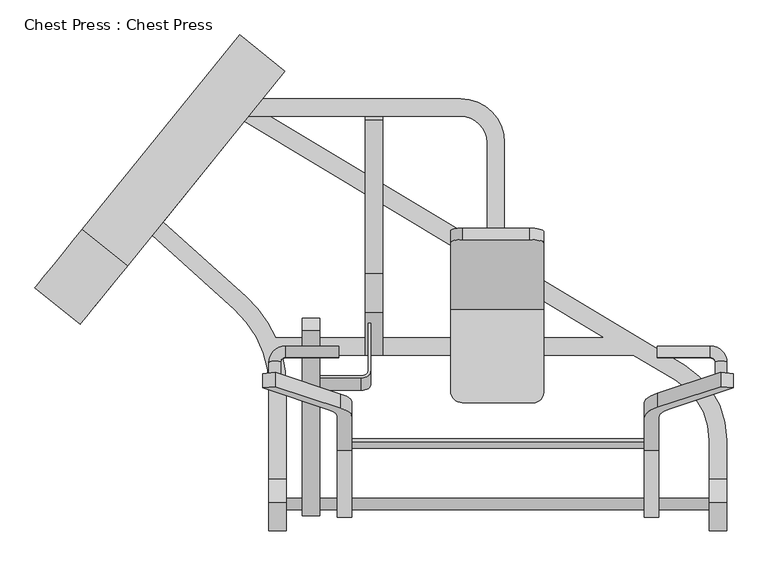
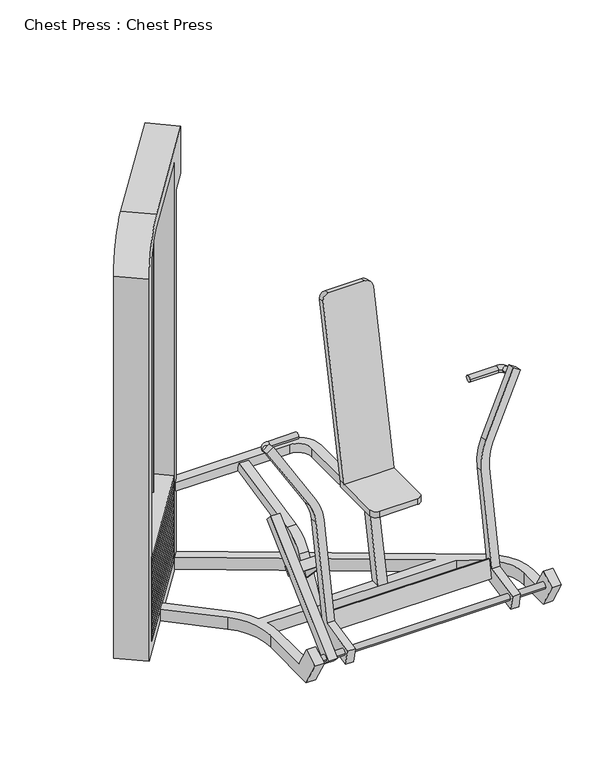
"""IFC4 building model written with IfcOpenShell, lengths in millimetres: proxy geometry, Chest Press : Chest Press."""

from ifc_helpers import new_model, si_unit, point, frame, frame_2d, origin, place, context, project, spatial, polyline, circle_curve, ellipse_curve, trimmed, segment, composite_curve, outline, extrude, source, transform, mapped, element, save
from ifc_brep_helpers import plane_surface, cylinder_surface, revolved_surface, advanced_brep


def chest_press_chest_press_69a2329b(model_context):
    return source(origin(), model_context, "Body", "SolidModel", [
        advanced_brep(
        [(365.785119, -401.242446, 816.9094566), (339.988244, -401.242446, 816.9094566), (365.785119, -374.0487767, 811.6235428), (339.988244, -374.0487767, 811.6235428), (375.9840366, -338.7143282, 804.7552217), (375.9840366, -364.037242, 809.6774975), (492.5866815, -364.037242, 809.6774975), (492.5866815, -338.7143282, 804.7552217)],
        [
            (0, 1, circle_curve(frame((352.8866815, -401.242446, 816.9094566), z_axis=(0.0, -0.9816271834476663, 0.1908089953765331), x_axis=(-1.0, 0.0, 0.0)), 12.8984375)),
            (1, 0, circle_curve(frame((352.8866815, -401.242446, 816.9094566), z_axis=(0.0, -0.9816271834476663, 0.1908089953765331), x_axis=(-1.0, 0.0, 0.0)), 12.8984375)),
            (0, 2),
            (2, 3, circle_curve(frame((352.8866815, -374.0487767, 811.6235428), z_axis=(0.0, -0.9816271834476663, 0.1908089953765331), x_axis=(-1.0, 0.0, 0.0)), 12.8984375)),
            (3, 1),
            (3, 2, circle_curve(frame((352.8866815, -374.0487767, 811.6235428), z_axis=(0.0, -0.9816271834476663, 0.1908089953765331), x_axis=(-1.0, 0.0, 0.0)), 12.8984375)),
            (4, 3, circle_curve(frame((375.9840366, -374.0487767, 811.6235428), z_axis=(0.0, 0.19080899537653312, 0.9816271834476663), x_axis=(-1.0, 0.0, 0.0)), 35.9957926)),
            (2, 5, circle_curve(frame((375.9840366, -374.0487767, 811.6235428), z_axis=(0.0, -0.19080899537653312, -0.9816271834476663), x_axis=(-1.0, 0.0, 0.0)), 10.1989176)),
            (5, 4, circle_curve(frame((375.9840366, -351.3757851, 807.2163596), z_axis=(-1.0, 0.0, 0.0), x_axis=(0.0, 0.9816271834476668, -0.1908089953765332)), 12.8984375)),
            (4, 5, circle_curve(frame((375.9840366, -351.3757851, 807.2163596), z_axis=(-1.0, 0.0, 0.0), x_axis=(0.0, 0.9816271834476668, -0.1908089953765332)), 12.8984375)),
            (6, 7, circle_curve(frame((492.5866815, -351.3757851, 807.2163596), z_axis=(1.0, 0.0, 0.0), x_axis=(0.0, 0.9816271834476663, -0.19080899537653312)), 12.8984375)),
            (7, 6, circle_curve(frame((492.5866815, -351.3757851, 807.2163596), z_axis=(1.0, 0.0, 0.0), x_axis=(0.0, 0.9816271834476663, -0.19080899537653312)), 12.8984375)),
            (5, 6),
            (7, 4),
        ],
        [
            plane_surface(frame((352.8866815, -401.242446, 816.9094566), z_axis=(0.0, -0.9816271834476663, 0.1908089953765331), x_axis=(0.0, 0.1908089953765331, 0.9816271834476663))),
            cylinder_surface(frame((352.8866815, -401.242446, 816.9094566), z_axis=(0.0, -0.9816271834476663, 0.1908089953765331), x_axis=(-1.0, 0.0, 0.0)), 12.8984375),
            revolved_surface(trimmed(ellipse_curve(frame((352.8866815, -374.0487767, 811.6235428), z_axis=(0.0, -0.9816271834476668, 0.19080899537653323), x_axis=(-1.0, 0.0, 0.0)), 12.8984375, 12.8984375), [point((365.785119, -374.0487767, 811.6235428))], [point((339.988244, -374.0487767, 811.6235428))], True, "CARTESIAN"), (375.9840366, -374.0487767, 811.6235428), (0.0, -0.1908089953765332, -0.9816271834476668)),
            revolved_surface(trimmed(ellipse_curve(frame((352.8866815, -374.0487767, 811.6235428), z_axis=(0.0, -0.9816271834476668, 0.19080899537653323), x_axis=(-1.0, 0.0, 0.0)), 12.8984375, 12.8984375), [point((339.988244, -374.0487767, 811.6235428))], [point((365.785119, -374.0487767, 811.6235428))], True, "CARTESIAN"), (375.9840366, -374.0487767, 811.6235428), (0.0, -0.1908089953765332, -0.9816271834476668)),
            plane_surface(frame((492.5866815, -351.3757851, 807.2163596), z_axis=(1.0, 0.0, 0.0), x_axis=(0.0, 0.1908089953765331, 0.9816271834476662))),
            cylinder_surface(frame((375.9840366, -351.3757851, 807.2163596), z_axis=(-1.0, 0.0, 0.0), x_axis=(0.0, 0.9816271834476663, -0.19080899537653312)), 12.8984375),
        ],
        [
            (0, [[1, 2]]),
            (1, [[-1, 3, 4, 5]]),
            (1, [[-2, -5, 6, -3]]),
            (2, [[7, -4, 8, 9]]),
            (3, [[-8, -6, -7, 10]]),
            (4, [[11, 12]]),
            (5, [[-9, 13, -12, 14]]),
            (5, [[-10, -14, -11, -13]]),
        ],
    ),
        advanced_brep(
        [(1315.4276621, -401.242446, 816.9094566), (1341.2245371, -401.242446, 816.9094566), (1315.4276621, -374.0487767, 811.6235428), (1341.2245371, -374.0487767, 811.6235428), (1305.2287445, -338.7143282, 804.7552217), (1305.2287445, -364.037242, 809.6774975), (1188.6260996, -364.037242, 809.6774975), (1188.6260996, -338.7143282, 804.7552217)],
        [
            (0, 1, circle_curve(frame((1328.3260996, -401.242446, 816.9094566), z_axis=(0.0, -0.9816271834476663, 0.1908089953765331), x_axis=(1.0, 0.0, 0.0)), 12.8984375)),
            (1, 0, circle_curve(frame((1328.3260996, -401.242446, 816.9094566), z_axis=(0.0, -0.9816271834476663, 0.1908089953765331), x_axis=(1.0, 0.0, 0.0)), 12.8984375)),
            (0, 2),
            (2, 3, circle_curve(frame((1328.3260996, -374.0487767, 811.6235428), z_axis=(0.0, -0.9816271834476663, 0.1908089953765331), x_axis=(1.0, 0.0, 0.0)), 12.8984375)),
            (3, 1),
            (3, 2, circle_curve(frame((1328.3260996, -374.0487767, 811.6235428), z_axis=(0.0, -0.9816271834476663, 0.1908089953765331), x_axis=(1.0, 0.0, 0.0)), 12.8984375)),
            (4, 3, circle_curve(frame((1305.2287445, -374.0487767, 811.6235428), z_axis=(0.0, -0.19080899537653312, -0.9816271834476663), x_axis=(1.0, 0.0, 0.0)), 35.9957926)),
            (2, 5, circle_curve(frame((1305.2287445, -374.0487767, 811.6235428), z_axis=(0.0, 0.19080899537653312, 0.9816271834476663), x_axis=(1.0, 0.0, 0.0)), 10.1989176)),
            (5, 4, circle_curve(frame((1305.2287445, -351.3757851, 807.2163596), z_axis=(1.0, 0.0, 0.0), x_axis=(0.0, 0.9816271834476668, -0.1908089953765332)), 12.8984375)),
            (4, 5, circle_curve(frame((1305.2287445, -351.3757851, 807.2163596), z_axis=(1.0, 0.0, 0.0), x_axis=(0.0, 0.9816271834476668, -0.1908089953765332)), 12.8984375)),
            (6, 7, circle_curve(frame((1188.6260996, -351.3757851, 807.2163596), z_axis=(-1.0, 0.0, 0.0), x_axis=(0.0, 0.9816271834476663, -0.19080899537653312)), 12.8984375)),
            (7, 6, circle_curve(frame((1188.6260996, -351.3757851, 807.2163596), z_axis=(-1.0, 0.0, 0.0), x_axis=(0.0, 0.9816271834476663, -0.19080899537653312)), 12.8984375)),
            (5, 6),
            (7, 4),
        ],
        [
            plane_surface(frame((1328.3260996, -401.242446, 816.9094566), z_axis=(0.0, -0.9816271834476663, 0.1908089953765331), x_axis=(0.0, 0.1908089953765331, 0.9816271834476663))),
            cylinder_surface(frame((1328.3260996, -401.242446, 816.9094566), z_axis=(0.0, -0.9816271834476663, 0.1908089953765331), x_axis=(1.0, 0.0, 0.0)), 12.8984375),
            revolved_surface(trimmed(ellipse_curve(frame((1328.3260996, -374.0487767, 811.6235428), z_axis=(0.0, -0.9816271834476668, 0.19080899537653323), x_axis=(1.0, 0.0, 0.0)), 12.8984375, 12.8984375), [point((1315.4276621, -374.0487767, 811.6235428))], [point((1341.2245371, -374.0487767, 811.6235428))], True, "CARTESIAN"), (1305.2287445, -374.0487767, 811.6235428), (0.0, 0.1908089953765332, 0.9816271834476668)),
            revolved_surface(trimmed(ellipse_curve(frame((1328.3260996, -374.0487767, 811.6235428), z_axis=(0.0, -0.9816271834476668, 0.19080899537653323), x_axis=(1.0, 0.0, 0.0)), 12.8984375, 12.8984375), [point((1341.2245371, -374.0487767, 811.6235428))], [point((1315.4276621, -374.0487767, 811.6235428))], True, "CARTESIAN"), (1305.2287445, -374.0487767, 811.6235428), (0.0, 0.1908089953765332, 0.9816271834476668)),
            plane_surface(frame((1188.6260996, -351.3757851, 807.2163596), z_axis=(-1.0, 0.0, 0.0), x_axis=(0.0, 0.1908089953765331, 0.9816271834476662))),
            cylinder_surface(frame((1305.2287445, -351.3757851, 807.2163596), z_axis=(1.0, 0.0, 0.0), x_axis=(0.0, 0.9816271834476663, -0.19080899537653312)), 12.8984375),
        ],
        [
            (0, [[1, 2]]),
            (1, [[-1, 3, 4, 5]]),
            (1, [[-2, -5, 6, -3]]),
            (2, [[7, -4, 8, 9]]),
            (3, [[-8, -6, -7, 10]]),
            (4, [[11, 12]]),
            (5, [[-9, 13, -12, 14]]),
            (5, [[-10, -14, -11, -13]]),
        ],
    ),
        extrude(outline(composite_curve([segment(polyline([(21.3522889, -21.3522889), (21.3522889, -149.9394181), (15.0022889, -149.9394181), (15.0022889, -21.3522889)]), True, "CONTINUOUS"), segment(trimmed(circle_curve(frame_2d((0.0, -21.3522889)), 15.0022889), [point((15.0022889, -21.3522889))], [point((0.0, -6.35))], True, "CARTESIAN"), True, "CONTINUOUS"), segment(polyline([(0.0, -6.35), (-180.6368299, -6.35), (-180.6368299, 0.0), (0.0, 0.0)]), True, "CONTINUOUS"), segment(trimmed(circle_curve(frame_2d((0.0, -21.3522889)), 21.3522889), [point((0.0, 0.0))], [point((21.3522889, -21.3522889))], False, "CARTESIAN"), True, "CONTINUOUS")], self_intersect=False)), frame((563.1510996, -420.7957391, 269.1092613), z_axis=(0.0, 0.7313537016191658, 0.6819983600625036), x_axis=(0.0, -0.6819983600625036, 0.7313537016191658)), (0.0, 0.0, 1.0), 38.1),
        advanced_brep(
        [(489.4116815, -538.2275395, 72.6674437), (489.4116815, -698.8352667, 38.1172429), (489.4116815, -712.4954921, 101.6172429), (489.4116815, -566.5214579, 133.0194194), (489.4116815, -491.2691637, 520.1589118), (489.4116815, -460.1025006, 514.1007262), (489.4116815, -542.6791064, 89.2809176), (521.1616815, -712.4954921, 101.6172429), (521.1616815, -698.8352667, 38.1172429), (521.1616815, -538.2275395, 72.6674437), (521.1616815, -542.6791064, 89.2809176), (521.1616815, -460.1025006, 514.1007262), (521.1616815, -491.2691637, 520.1589118), (521.1616815, -566.5214579, 133.0194194), (521.1616815, -547.1130251, 163.7156918), (521.1616815, -540.8796925, 162.5040547), (521.1616815, -555.8962605, 85.2505091), (521.1616815, -562.1295932, 86.4621463), (497.3595057, -474.3194233, 607.3577669), (353.9348348, -426.9188784, 851.2124306), (326.4385282, -429.9479712, 835.6290991), (469.8631991, -477.3485161, 591.7744354), (469.8631991, -446.181853, 585.7162498), (326.4385282, -398.7813081, 829.5709135), (353.9348348, -395.7522153, 845.154245), (497.3595057, -443.1527602, 601.2995813), (1160.0510996, -540.8796925, 162.5040547), (1160.0510996, -547.1130251, 163.7156918), (1160.0510996, -562.1295932, 86.4621463), (1160.0510996, -555.8962605, 85.2505091), (1160.0510996, -462.2198351, 503.2079846), (1189.4015843, -441.3190948, 610.7329722), (1327.2779463, -395.7522153, 845.154245), (1354.7742529, -398.7813081, 829.5709135), (1216.8978909, -444.3481876, 595.1496407), (1191.8010996, -462.2198351, 503.2079846), (1191.8010996, -542.6791064, 89.2809176), (1160.0510996, -542.6791064, 89.2809176), (1191.8010996, -493.3864982, 509.2661702), (1191.8010996, -566.5214579, 133.0194194), (1191.8010996, -712.5756465, 101.6), (1191.8010996, -698.9154211, 38.1), (1191.8010996, -538.2275395, 72.6674437), (1216.8978909, -475.5148506, 601.2078263), (1354.7742529, -429.9479712, 835.6290991), (1327.2779463, -426.9188784, 851.2124306), (1189.4015843, -472.4857578, 616.7911578), (1160.0510996, -493.3864982, 509.2661702), (1160.0510996, -566.5214579, 133.0194194), (1160.0510996, -538.2275395, 72.6674437), (1160.0510996, -698.9154211, 38.1), (1160.0510996, -712.5756465, 101.6)],
        [
            (0, 1),
            (1, 2),
            (2, 3),
            (3, 4),
            (4, 5),
            (5, 6),
            (6, 0),
            (7, 8),
            (8, 9),
            (9, 10),
            (10, 11),
            (11, 12),
            (12, 13),
            (13, 7),
            (14, 15),
            (15, 16),
            (16, 17),
            (17, 14),
            (2, 7),
            (13, 3),
            (9, 0),
            (6, 10),
            (8, 1),
            (12, 18, circle_curve(frame((343.4998226, -491.2691637, 520.1589118), z_axis=(0.0, -0.9816271834476632, 0.19080899537654922), x_axis=(1.0, 0.0, 0.0)), 177.6618589)),
            (18, 19),
            (19, 20),
            (20, 21),
            (21, 4, circle_curve(frame((343.4998226, -491.2691637, 520.1589118), z_axis=(0.0, 0.9816271834476632, -0.19080899537654922), x_axis=(1.0, 0.0, 0.0)), 145.9118589)),
            (5, 22, circle_curve(frame((343.4998226, -460.1025006, 514.1007262), z_axis=(0.0, -0.9816271834476632, 0.19080899537654922), x_axis=(1.0, 0.0, 0.0)), 145.9118589)),
            (22, 23),
            (23, 24),
            (24, 25),
            (25, 11, circle_curve(frame((343.4998226, -460.1025006, 514.1007262), z_axis=(0.0, 0.9816271834476632, -0.19080899537654922), x_axis=(1.0, 0.0, 0.0)), 177.6618589)),
            (25, 18),
            (21, 22),
            (19, 24),
            (23, 20),
            (26, 15),
            (14, 27),
            (27, 26),
            (28, 27),
            (17, 28),
            (16, 29),
            (29, 28),
            (26, 29),
            (30, 31, circle_curve(frame((1379.1260996, -462.2198351, 503.2079846), z_axis=(0.0, 0.9816271834476632, -0.19080899537654922), x_axis=(-1.0, 0.0, 0.0)), 219.075)),
            (31, 32),
            (32, 33),
            (33, 34),
            (34, 35, circle_curve(frame((1379.1260996, -462.2198351, 503.2079846), z_axis=(0.0, -0.9816271834476632, 0.19080899537654922), x_axis=(-1.0, 0.0, 0.0)), 187.325)),
            (35, 36),
            (36, 37),
            (37, 30),
            (35, 38),
            (38, 39),
            (39, 40),
            (40, 41),
            (41, 42),
            (42, 36),
            (38, 43, circle_curve(frame((1379.1260996, -493.3864982, 509.2661702), z_axis=(0.0, 0.9816271834476632, -0.19080899537654922), x_axis=(-1.0, 0.0, 0.0)), 187.325)),
            (43, 44),
            (44, 45),
            (45, 46),
            (46, 47, circle_curve(frame((1379.1260996, -493.3864982, 509.2661702), z_axis=(0.0, -0.9816271834476632, 0.19080899537654922), x_axis=(-1.0, 0.0, 0.0)), 219.075)),
            (47, 48),
            (48, 39),
            (47, 30),
            (37, 49),
            (49, 50),
            (50, 51),
            (51, 48),
            (34, 43),
            (46, 31),
            (32, 45),
            (44, 33),
            (40, 51),
            (50, 41),
            (49, 42),
        ],
        [
            plane_surface(frame((489.4116815, -594.051735, 127.0970605), z_axis=(-1.0, 0.0, 0.0), x_axis=(0.0, 0.9776346655030531, 0.2103103915804766))),
            plane_surface(frame((521.1616815, -594.051735, 127.0970605), z_axis=(1.0, 0.0, 0.0), x_axis=(0.0, -0.9776346655030531, -0.2103103915804766))),
            plane_surface(frame((489.4116815, -712.4954921, 101.6172429), z_axis=(0.0, -0.2103103915804766, 0.9776346655030531), x_axis=(1.0, 0.0, 0.0))),
            plane_surface(frame((489.4116815, -555.0594896, 135.485137), z_axis=(0.0, 0.9659258262890688, 0.2588190451025193), x_axis=(1.0, 0.0, 0.0))),
            plane_surface(frame((489.4116815, -538.2275395, 72.6674437), z_axis=(0.0, 0.21031039158047357, -0.9776346655030538), x_axis=(1.0, 0.0, 0.0))),
            plane_surface(frame((489.4116815, -698.8352667, 38.1172429), z_axis=(0.0, -0.9776346655030543, -0.21031039158047143), x_axis=(1.0, 0.0, 0.0))),
            plane_surface(frame((521.1616815, -575.0818893, 88.9798176), z_axis=(0.0, -0.9816271834476631, 0.1908089953765493), x_axis=(0.0, 0.1908089953765493, 0.9816271834476631))),
            plane_surface(frame((489.4116815, -543.9152263, 82.921632), z_axis=(0.0, 0.9816271834476631, -0.1908089953765493), x_axis=(0.0, 0.1908089953765493, 0.9816271834476631))),
            cylinder_surface(frame((343.4998226, 73.8743097, 410.3061488), z_axis=(0.0, -0.9816271834476632, 0.19080899537654922), x_axis=(1.0, 0.0, 0.0)), 177.6618589),
            revolved_surface(polyline([(489.4116815, -491.2691637033446, 520.1589118673087), (489.4116815, -460.1025005890449, 514.1007262563598)]), (343.4998226, 73.8743097, 410.3061488), (0.0, -0.9816271834476632, 0.19080899537654922)),
            plane_surface(frame((340.1866815, 136.7100486, 733.5680018), z_axis=(-0.5000000000000006, 0.165245437266679, 0.8501140779110433), x_axis=(0.0, -0.9816271834476631, 0.19080899537654916))),
            plane_surface(frame((497.3595057, -443.1527602, 601.2995813), z_axis=(0.8660254037844384, 0.09540449768827465, 0.490813591723832), x_axis=(-0.5000000000000004, 0.16524543726667898, 0.8501140779110434))),
            plane_surface(frame((469.8631991, -477.3485161, 591.7744354), z_axis=(-0.8660254037844385, -0.09540449768827465, -0.49081359172383204), x_axis=(-0.5000000000000004, 0.16524543726667873, 0.8501140779110435))),
            plane_surface(frame((1160.0510996, -540.8796925, 162.5040547), z_axis=(0.0, 0.19080899537655233, 0.9816271834476625), x_axis=(-1.0, 0.0, 0.0))),
            plane_surface(frame((1160.0510996, -547.1130251, 163.7156918), z_axis=(0.0, -0.9816271834476632, 0.19080899537654922), x_axis=(-1.0, 0.0, 0.0))),
            plane_surface(frame((1160.0510996, -562.1295932, 86.4621463), z_axis=(0.0, -0.1908089953765498, -0.9816271834476631), x_axis=(-1.0, 0.0, 0.0))),
            plane_surface(frame((1160.0510996, -555.8962605, 85.2505091), z_axis=(0.0, 0.9816271834476632, -0.19080899537654925), x_axis=(-1.0, 0.0, 0.0))),
            plane_surface(frame((1160.0510996, -543.9152263, 82.921632), z_axis=(0.0, 0.9816271834476632, -0.19080899537654894), x_axis=(0.0, 0.19080899537654894, 0.9816271834476632))),
            plane_surface(frame((1191.8010996, -543.9152263, 82.921632), z_axis=(1.0000000000000002, 0.0, 0.0), x_axis=(0.0, 0.19080899537654894, 0.9816271834476632))),
            plane_surface(frame((1191.8010996, -575.0818893, 88.9798176), z_axis=(0.0, -0.9816271834476632, 0.19080899537654894), x_axis=(0.0, 0.19080899537654894, 0.9816271834476632))),
            plane_surface(frame((1160.0510996, -575.0818893, 88.9798176), z_axis=(-1.0, 0.0, 0.0), x_axis=(0.0, 0.19080899537654875, 0.9816271834476632))),
            revolved_surface(polyline([(1191.8010996, -462.2198350890449, 503.2079846563599), (1191.8010996, -493.38649818751475, 509.26617026423173)]), (1379.1260996, 71.7569752, 399.4134072), (0.0, 0.9816271834476632, -0.19080899537654922)),
            cylinder_surface(frame((1379.1260996, 71.7569752, 399.4134072), z_axis=(0.0, 0.9816271834476632, -0.19080899537654922), x_axis=(-1.0, 0.0, 0.0)), 219.075),
            plane_surface(frame((1341.0260996, 136.7100486, 733.5680018), z_axis=(0.5000000000000007, 0.165245437266679, 0.8501140779110434), x_axis=(0.0, -0.9816271834476632, 0.1908089953765492))),
            plane_surface(frame((1216.8978909, -444.3481876, 595.1496407), z_axis=(0.8660254037844382, -0.0954044976882748, -0.4908135917238328), x_axis=(0.5000000000000012, 0.1652454372666796, 0.850114077911043))),
            plane_surface(frame((1189.4015843, -472.4857578, 616.7911578), z_axis=(-0.8660254037844384, 0.09540449768827473, 0.4908135917238324), x_axis=(0.5000000000000008, 0.16524543726667945, 0.8501140779110432))),
            plane_surface(frame((1191.8010996, -712.5756465, 101.6), z_axis=(0.0, -0.9776346655030543, -0.2103103915804715), x_axis=(-1.0, 0.0, 0.0))),
            plane_surface(frame((1191.8010996, -698.9154211, 38.1), z_axis=(0.0, 0.21031039158047357, -0.9776346655030538), x_axis=(-1.0, 0.0, 0.0))),
            plane_surface(frame((1191.8010996, -538.2275395, 72.6674437), z_axis=(0.0, 0.9659258262890684, 0.25881904510252046), x_axis=(-1.0, 0.0, 0.0))),
            plane_surface(frame((1191.8010996, -555.0594896, 135.485137), z_axis=(0.0, -0.21031039158047654, 0.9776346655030531), x_axis=(-1.0, 0.0, 0.0))),
        ],
        [
            (0, [[1, 2, 3, 4, 5, 6, 7]]),
            (1, [[8, 9, 10, 11, 12, 13, 14], [15, 16, 17, 18]]),
            (2, [[19, -14, 20, -3]]),
            (3, [[21, -7, 22, -10]]),
            (4, [[-1, -21, -9, 23]]),
            (5, [[-2, -23, -8, -19]]),
            (6, [[24, 25, 26, 27, 28, -4, -20, -13]]),
            (7, [[29, 30, 31, 32, 33, -11, -22, -6]]),
            (8, [[-12, -33, 34, -24]]),
            (9, [[-28, 35, -29, -5]]),
            (10, [[-26, 36, -31, 37]]),
            (11, [[-25, -34, -32, -36]]),
            (12, [[-27, -37, -30, -35]]),
            (13, [[38, -15, 39, 40]]),
            (14, [[41, -39, -18, 42]]),
            (15, [[-42, -17, 43, 44]]),
            (16, [[-38, 45, -43, -16]]),
            (17, [[46, 47, 48, 49, 50, 51, 52, 53]]),
            (18, [[54, 55, 56, 57, 58, 59, -51]]),
            (19, [[60, 61, 62, 63, 64, 65, 66, -55]]),
            (20, [[67, -53, 68, 69, 70, 71, -65], [-44, -45, -40, -41]]),
            (21, [[-50, 72, -60, -54]]),
            (22, [[-46, -67, -64, 73]]),
            (23, [[-48, 74, -62, 75]]),
            (24, [[-49, -75, -61, -72]]),
            (25, [[-47, -73, -63, -74]]),
            (26, [[-57, 76, -70, 77]]),
            (27, [[-58, -77, -69, 78]]),
            (28, [[-78, -68, -52, -59]]),
            (29, [[-76, -56, -66, -71]]),
        ],
    ),
        extrude(outline(composite_curve([segment(trimmed(circle_curve(frame_2d((2.0350498, -97.5524739)), 8.2729057), [point((-4.3942055, -92.3461656))], [point((8.4643051, -102.7587822))], False, "CARTESIAN"), True, "CONTINUOUS"), segment(trimmed(circle_curve(frame_2d((2.0350498, -97.5524739)), 8.2729057), [point((8.4643051, -102.7587822))], [point((-4.3942055, -92.3461656))], False, "CARTESIAN"), True, "CONTINUOUS")], self_intersect=False)), frame((0.0, 0.0, 50.8), z_axis=(0.0, 0.0, 1.0), x_axis=(1.0, 0.0, 0.0)), (0.0, 0.0, 1.0), 1701.8),
        extrude(outline(composite_curve([segment(trimmed(circle_curve(frame_2d((161.8824291, 99.8426003)), 8.2729057), [point((155.4531739, 105.0489086))], [point((168.3116844, 94.6362921))], False, "CARTESIAN"), True, "CONTINUOUS"), segment(trimmed(circle_curve(frame_2d((161.8824291, 99.8426003)), 8.2729057), [point((168.3116844, 94.6362921))], [point((155.4531739, 105.0489086))], False, "CARTESIAN"), True, "CONTINUOUS")], self_intersect=False)), frame((0.0, 0.0, 50.8), z_axis=(0.0, 0.0, 1.0), x_axis=(1.0, 0.0, 0.0)), (0.0, 0.0, 1.0), 1701.8),
        extrude(outline(polyline([(278.826672, 143.3542145), (-40.8680866, -251.4359339), (-139.5656237, -171.5122442), (180.1291349, 223.2779042), (278.826672, 143.3542145)])), frame((0.0, 0.0, 382.0366155), z_axis=(0.0, 0.0, 1.0), x_axis=(1.0, 0.0, 0.0)), (0.0, 0.0, 1.0), 27.6030513),
        extrude(outline(polyline([(278.826672, 143.3542145), (-40.8680866, -251.4359339), (-139.5656237, -171.5122442), (180.1291349, 223.2779042), (278.826672, 143.3542145)])), frame((0.0, 0.0, 354.4335642), z_axis=(0.0, 0.0, 1.0), x_axis=(1.0, 0.0, 0.0)), (0.0, 0.0, 1.0), 27.6030513),
        extrude(outline(polyline([(278.826672, 143.3542145), (-40.8680866, -251.4359339), (-139.5656237, -171.5122442), (180.1291349, 223.2779042), (278.826672, 143.3542145)])), frame((0.0, 0.0, 326.8305129), z_axis=(0.0, 0.0, 1.0), x_axis=(1.0, 0.0, 0.0)), (0.0, 0.0, 1.0), 27.6030513),
        extrude(outline(polyline([(278.826672, 143.3542145), (-40.8680866, -251.4359339), (-139.5656237, -171.5122442), (180.1291349, 223.2779042), (278.826672, 143.3542145)])), frame((0.0, 0.0, 299.2274616), z_axis=(0.0, 0.0, 1.0), x_axis=(1.0, 0.0, 0.0)), (0.0, 0.0, 1.0), 27.6030513),
        extrude(outline(polyline([(278.826672, 143.3542145), (-40.8680866, -251.4359339), (-139.5656237, -171.5122442), (180.1291349, 223.2779042), (278.826672, 143.3542145)])), frame((0.0, 0.0, 271.6244103), z_axis=(0.0, 0.0, 1.0), x_axis=(1.0, 0.0, 0.0)), (0.0, 0.0, 1.0), 27.6030513),
        extrude(outline(polyline([(278.826672, 143.3542145), (-40.8680866, -251.4359339), (-139.5656237, -171.5122442), (180.1291349, 223.2779042), (278.826672, 143.3542145)])), frame((0.0, 0.0, 244.021359), z_axis=(0.0, 0.0, 1.0), x_axis=(1.0, 0.0, 0.0)), (0.0, 0.0, 1.0), 27.6030513),
        extrude(outline(polyline([(278.826672, 143.3542145), (-40.8680866, -251.4359339), (-139.5656237, -171.5122442), (180.1291349, 223.2779042), (278.826672, 143.3542145)])), frame((0.0, 0.0, 216.4183077), z_axis=(0.0, 0.0, 1.0), x_axis=(1.0, 0.0, 0.0)), (0.0, 0.0, 1.0), 27.6030513),
        extrude(outline(polyline([(278.826672, 143.3542145), (-40.8680866, -251.4359339), (-139.5656237, -171.5122442), (180.1291349, 223.2779042), (278.826672, 143.3542145)])), frame((0.0, 0.0, 188.8152564), z_axis=(0.0, 0.0, 1.0), x_axis=(1.0, 0.0, 0.0)), (0.0, 0.0, 1.0), 27.6030513),
        extrude(outline(polyline([(278.826672, 143.3542145), (-40.8680866, -251.4359339), (-139.5656237, -171.5122442), (180.1291349, 223.2779042), (278.826672, 143.3542145)])), frame((0.0, 0.0, 161.2122052), z_axis=(0.0, 0.0, 1.0), x_axis=(1.0, 0.0, 0.0)), (0.0, 0.0, 1.0), 27.6030513),
        extrude(outline(polyline([(278.826672, 143.3542145), (-40.8680866, -251.4359339), (-139.5656237, -171.5122442), (180.1291349, 223.2779042), (278.826672, 143.3542145)])), frame((0.0, 0.0, 133.6091539), z_axis=(0.0, 0.0, 1.0), x_axis=(1.0, 0.0, 0.0)), (0.0, 0.0, 1.0), 27.6030513),
        extrude(outline(polyline([(278.826672, 143.3542145), (-40.8680866, -251.4359339), (-139.5656237, -171.5122442), (180.1291349, 223.2779042), (278.826672, 143.3542145)])), frame((0.0, 0.0, 106.0061026), z_axis=(0.0, 0.0, 1.0), x_axis=(1.0, 0.0, 0.0)), (0.0, 0.0, 1.0), 27.6030513),
        extrude(outline(polyline([(278.826672, 143.3542145), (-40.8680866, -251.4359339), (-139.5656237, -171.5122442), (180.1291349, 223.2779042), (278.826672, 143.3542145)])), frame((0.0, 0.0, 78.4030513), z_axis=(0.0, 0.0, 1.0), x_axis=(1.0, 0.0, 0.0)), (0.0, 0.0, 1.0), 27.6030513),
        extrude(outline(polyline([(278.826672, 143.3542145), (-40.8680866, -251.4359339), (-139.5656237, -171.5122442), (180.1291349, 223.2779042), (278.826672, 143.3542145)])), frame((0.0, 0.0, 50.8), z_axis=(0.0, 0.0, 1.0), x_axis=(1.0, 0.0, 0.0)), (0.0, 0.0, 1.0), 27.6030513),
        advanced_brep(
        [(856.5148376, -319.0766742, 50.8), (856.5148376, -238.5645431, 429.5797962), (856.5148376, -277.5157197, 429.5797962), (856.5148376, -358.0278509, 50.8), (856.5148376, -319.9278509, 50.8), (818.4148376, -358.0278509, 50.8), (818.4148376, -277.5157197, 429.5797962), (818.4148376, -238.5645431, 429.5797962), (818.4148376, -252.9397, 361.95), (818.4148376, -277.5157197, 361.95), (818.4148376, -277.5157197, 323.85), (818.4148376, -261.038105, 323.85), (818.4148376, -319.0766742, 50.8), (818.4148376, -319.9278509, 50.8), (854.9106141, -261.038105, 323.85), (854.9106141, -252.9397, 361.95), (180.1291349, 223.2779042, 1752.6), (278.826672, 143.3542145, 1752.6), (31.0632341, -162.6081505, 1752.6), (-67.634303, -82.6844608, 1752.6), (-67.634303, -82.6844608, 1803.4), (31.0632341, -162.6081505, 1803.4), (374.7350996, 261.7912591, 1803.4), (276.0375625, 341.7149487, 1803.4), (278.826672, 143.3542145, 50.8), (96.7513562, -81.4900752, 50.8), (96.7513562, -81.4900752, 0.0), (286.5834042, 152.9329811, 0.0), (286.5834042, 152.9329811, 50.8), (310.7961479, 182.8332294, 50.8), (310.7961479, 182.8332294, 323.85), (295.369762, 163.7832294, 323.85), (295.369762, 163.7832294, 361.95), (310.7961479, 182.8332294, 361.95), (310.7961479, 182.8332294, 1601.0544987), (374.7350996, 261.7912591, 1601.0544987), (-72.8375625, -290.9149487, 1638.3), (-72.8375625, -290.9149487, 0.0), (84.7463503, -96.3150228, 0.0), (84.7463503, -96.3150228, 50.8), (-40.8680866, -251.4359339, 50.8), (-40.8680866, -251.4359339, 1638.3), (-139.5656237, -171.5122442, 1638.3), (-171.5350996, -210.9912591, 1638.3), (276.0375625, 341.7149487, 1601.0544987), (212.0986108, 262.756919, 1601.0544987), (212.0986108, 262.756919, 0.0), (-171.5350996, -210.9912591, 0.0), (-139.5656237, -171.5122442, 50.8), (180.1291349, 223.2779042, 50.8), (588.5510996, -319.9278509, 50.8), (588.5510996, -358.0278509, 50.8), (264.5499381, -258.2109005, 50.8), (340.1866815, -428.0938076, 50.8), (340.1866815, -628.9124, 50.8), (378.2866815, -628.9124, 50.8), (378.2866815, -428.0938076, 50.8), (368.9184746, -358.0278509, 50.8), (550.4510996, -358.0278509, 50.8), (550.4510996, -319.9278509, 50.8), (355.367353, -319.9278509, 50.8), (290.0438142, -229.8970826, 50.8), (109.4982943, -67.3331663, 50.8), (1248.6408529, -380.6807206, 50.8), (1073.5559848, -319.9278509, 50.8), (1136.9650331, -358.0278509, 50.8), (1229.0179022, -413.3387948, 50.8), (1302.9260996, -543.9710914, 50.8), (1302.9260996, -628.9124, 50.8), (1341.0260996, -628.9124, 50.8), (1341.0260996, -543.9710914, 50.8), (310.7961479, 182.8332294, 0.0), (1248.6408529, -380.6807206, 0.0), (1341.0260996, -543.9710914, 0.0), (1341.0260996, -680.3373496, 0.0), (1302.9260996, -680.3373496, 0.0), (1302.9260996, -543.9710914, 0.0), (1229.0179022, -413.3387948, 0.0), (1136.9650331, -358.0278509, 0.0), (368.9184746, -358.0278509, 0.0), (378.2866815, -428.0938076, 0.0), (378.2866815, -680.3373496, 0.0), (340.1866815, -680.3373496, 0.0), (340.1866815, -428.0938076, 0.0), (264.5499381, -258.2109005, 0.0), (109.4982943, -67.3331663, 0.0), (290.0438142, -229.8970826, 0.0), (355.367353, -319.9278509, 0.0), (1073.5559848, -319.9278509, 0.0), (292.3673561, 197.7565707, 361.95), (292.3673561, 197.7565707, 323.85), (1302.9260996, -741.8324597, 106.5126551), (1302.9260996, -681.2667023, 141.4803115), (1302.9260996, -696.4588236, 82.1803099), (1302.9260996, -670.6619486, 82.1803099), (1341.0260996, -681.2667023, 141.4803115), (1341.0260996, -741.8324597, 106.5126551), (340.1866815, -741.8324597, 106.5126551), (340.1866815, -681.2667023, 141.4803115), (378.2866815, -681.2667023, 141.4803115), (378.2866815, -741.8324597, 106.5126551), (378.2866815, -670.6619486, 82.1803099), (378.2866815, -696.4588236, 82.1803099), (451.3116815, -696.4588236, 82.1803099), (451.3116815, -670.6619486, 82.1803099), (413.2116815, -670.6619486, 82.1803099), (413.2116815, -696.4588236, 82.1803099), (413.2116815, -303.2247212, 458.9900099), (413.2116815, -277.349415, 431.024343), (413.2116815, -682.8196185, 55.8619794), (413.2116815, -708.6949248, 83.8276463), (451.3116815, -303.2247212, 458.9900099), (451.3116815, -708.6949248, 83.8276463), (451.3116815, -682.8196185, 55.8619794), (451.3116815, -277.349415, 431.024343), (759.6606141, 201.8832294, 361.95), (295.7090585, 201.8832294, 361.95), (759.6606141, 163.7832294, 361.95), (816.8106141, 106.6332294, 361.95), (816.8106141, -277.5157197, 361.95), (854.9106141, 106.6332294, 361.95), (759.6606141, 201.8832294, 323.85), (854.9106141, 106.6332294, 323.85), (816.8106141, -277.5157197, 323.85), (816.8106141, 106.6332294, 323.85), (759.6606141, 163.7832294, 323.85), (588.5510996, 163.7832294, 323.85), (588.5510996, 168.3343502, 323.85), (550.4510996, 168.3343502, 323.85), (550.4510996, 163.7832294, 323.85), (295.7090585, 201.8832294, 323.85), (550.4510996, 163.7832294, 338.0111525), (588.5510996, 163.7832294, 338.0111525), (588.5510996, -265.3905384, 225.0254451), (588.5510996, -314.8769319, 50.8), (588.5510996, -231.7502352, 207.1385786), (588.5510996, -171.5448994, 252.4010237), (588.5510996, 156.613948, 360.3189072), (588.5510996, -179.3829159, 289.6860809), (550.4510996, -265.3905384, 225.0254451), (550.4510996, -179.3829159, 289.6860809), (550.4510996, 156.613948, 360.3189072), (550.4510996, -171.5448994, 252.4010237), (550.4510996, -231.7502352, 207.1385786), (550.4510996, -314.8769319, 50.8)],
        [
            (0, 1),
            (1, 2),
            (2, 3),
            (3, 4),
            (4, 0),
            (5, 6),
            (6, 7),
            (7, 8),
            (8, 9),
            (9, 10),
            (10, 11),
            (11, 12),
            (12, 13),
            (13, 5),
            (12, 0),
            (4, 13),
            (11, 14),
            (14, 15),
            (15, 8),
            (7, 1),
            (6, 2),
            (5, 3),
            (16, 17),
            (17, 18),
            (18, 19),
            (19, 16),
            (20, 21),
            (21, 22),
            (22, 23),
            (23, 20),
            (17, 24),
            (24, 25),
            (25, 26),
            (26, 27),
            (27, 28),
            (28, 29),
            (29, 30),
            (30, 31),
            (31, 32),
            (32, 33),
            (33, 34),
            (34, 35),
            (35, 22),
            (21, 36, circle_curve(frame((31.0632341, -162.6081505, 1638.3), z_axis=(0.777145961456963, -0.6293203910498472, 0.0), x_axis=(0.0, 0.0, 1.0)), 165.1)),
            (36, 37),
            (37, 38),
            (38, 39),
            (39, 40),
            (40, 41),
            (41, 18, circle_curve(frame((31.0632341, -162.6081505, 1638.3), z_axis=(-0.777145961456963, 0.6293203910498472, 0.0), x_axis=(0.0, 0.0, 1.0)), 114.3)),
            (41, 42),
            (42, 19, circle_curve(frame((-67.634303, -82.6844608, 1638.3), z_axis=(-0.777145961456963, 0.6293203910498472, 0.0), x_axis=(0.0, 0.0, 1.0)), 114.3)),
            (43, 20, circle_curve(frame((-67.634303, -82.6844608, 1638.3), z_axis=(-0.777145961456963, 0.6293203910498472, 0.0), x_axis=(0.0, 0.0, 1.0)), 165.1)),
            (23, 44),
            (44, 45),
            (45, 46),
            (46, 47),
            (47, 43),
            (42, 48),
            (48, 49),
            (49, 16),
            (43, 36),
            (40, 48),
            (47, 37),
            (13, 50),
            (50, 51),
            (51, 5),
            (39, 52),
            (52, 53, circle_curve(frame((111.5866815, -428.0938076, 50.8), z_axis=(0.0, 0.0, -1.0), x_axis=(1.0, 0.0, 0.0)), 228.6)),
            (53, 54),
            (54, 55),
            (55, 56),
            (56, 57, circle_curve(frame((111.5866815, -428.0938076, 50.8), z_axis=(0.0, 0.0, 1.0), x_axis=(1.0, 0.0, 0.0)), 266.7)),
            (57, 58),
            (58, 59),
            (59, 60),
            (60, 61, circle_curve(frame((111.5866815, -428.0938076, 50.8), z_axis=(0.0, 0.0, 1.0), x_axis=(1.0, 0.0, 0.0)), 266.7)),
            (61, 62),
            (62, 25),
            (24, 49),
            (63, 29),
            (28, 64),
            (64, 4),
            (3, 65),
            (65, 66),
            (66, 67, circle_curve(frame((1150.5260996, -543.9710914, 50.8), z_axis=(0.0, 0.0, -1.0), x_axis=(1.0, 0.0, 0.0)), 152.4)),
            (67, 68),
            (68, 69),
            (69, 70),
            (70, 63, circle_curve(frame((1150.5260996, -543.9710914, 50.8), z_axis=(0.0, 0.0, 1.0), x_axis=(1.0, 0.0, 0.0)), 190.5)),
            (46, 71),
            (71, 72),
            (72, 73, circle_curve(frame((1150.5260996, -543.9710914, 0.0), z_axis=(0.0, 0.0, -1.0), x_axis=(1.0, 0.0, 0.0)), 190.5)),
            (73, 74),
            (74, 75),
            (75, 76),
            (76, 77, circle_curve(frame((1150.5260996, -543.9710914, 0.0), z_axis=(0.0, 0.0, 1.0), x_axis=(1.0, 0.0, 0.0)), 152.4)),
            (77, 78),
            (78, 79),
            (79, 80, circle_curve(frame((111.5866815, -428.0938076, 0.0), z_axis=(0.0, 0.0, -1.0), x_axis=(1.0, 0.0, 0.0)), 266.7)),
            (80, 81),
            (81, 82),
            (82, 83),
            (83, 84, circle_curve(frame((111.5866815, -428.0938076, 0.0), z_axis=(0.0, 0.0, 1.0), x_axis=(1.0, 0.0, 0.0)), 228.6)),
            (84, 38),
            (85, 86),
            (86, 87, circle_curve(frame((111.5866815, -428.0938076, 0.0), z_axis=(0.0, 0.0, -1.0), x_axis=(1.0, 0.0, 0.0)), 266.7)),
            (87, 88),
            (88, 27),
            (26, 85),
            (45, 34),
            (33, 89),
            (89, 90),
            (90, 30),
            (29, 71),
            (35, 44),
            (63, 72),
            (88, 64),
            (77, 66),
            (65, 78),
            (76, 67),
            (75, 91),
            (91, 92),
            (92, 68),
            (93, 94, circle_curve(frame((1302.9260996, -683.5603861, 82.1803099), z_axis=(1.0, 0.0, 0.0), x_axis=(0.0, -1.0, 0.0)), 12.8984375)),
            (94, 93, circle_curve(frame((1302.9260996, -683.5603861, 82.1803099), z_axis=(1.0, 0.0, 0.0), x_axis=(0.0, -1.0, 0.0)), 12.8984375)),
            (73, 70),
            (69, 95),
            (95, 96),
            (96, 74),
            (61, 86),
            (85, 62),
            (84, 52),
            (83, 53),
            (82, 97),
            (97, 98),
            (98, 54),
            (80, 56),
            (55, 99),
            (99, 100),
            (100, 81),
            (101, 102, circle_curve(frame((378.2866815, -683.5603861, 82.1803099), z_axis=(-1.0, 0.0, 0.0), x_axis=(0.0, -1.0, 0.0)), 12.8984375)),
            (102, 101, circle_curve(frame((378.2866815, -683.5603861, 82.1803099), z_axis=(-1.0, 0.0, 0.0), x_axis=(0.0, -1.0, 0.0)), 12.8984375)),
            (60, 87),
            (79, 57),
            (96, 91),
            (92, 95),
            (97, 100),
            (99, 98),
            (93, 103),
            (103, 104, circle_curve(frame((451.3116815, -683.5603861, 82.1803099), z_axis=(1.0, 0.0, 0.0), x_axis=(0.0, -1.0, 0.0)), 12.8984375)),
            (104, 94),
            (101, 105),
            (105, 106, circle_curve(frame((413.2116815, -683.5603861, 82.1803099), z_axis=(-1.0, 0.0, 0.0), x_axis=(0.0, -1.0, 0.0)), 12.8984375)),
            (106, 102),
            (104, 103, circle_curve(frame((451.3116815, -683.5603861, 82.1803099), z_axis=(1.0, 0.0, 0.0), x_axis=(0.0, -1.0, 0.0)), 12.8984375)),
            (106, 105, circle_curve(frame((413.2116815, -683.5603861, 82.1803099), z_axis=(-1.0, 0.0, 0.0), x_axis=(0.0, -1.0, 0.0)), 12.8984375)),
            (59, 50),
            (51, 58),
            (107, 108),
            (108, 109),
            (109, 110),
            (110, 107),
            (111, 112),
            (112, 113),
            (113, 114),
            (114, 111),
            (107, 111),
            (114, 108),
            (113, 109),
            (112, 110),
            (115, 116),
            (116, 89),
            (32, 117),
            (117, 118, circle_curve(frame((759.6606141, 106.6332294, 361.95), z_axis=(0.0, 0.0, -1.0), x_axis=(1.0, 0.0, 0.0)), 57.15)),
            (118, 119),
            (119, 9),
            (15, 120),
            (120, 115, circle_curve(frame((759.6606141, 106.6332294, 361.95), z_axis=(0.0, 0.0, 1.0), x_axis=(1.0, 0.0, 0.0)), 95.25)),
            (121, 122, circle_curve(frame((759.6606141, 106.6332294, 323.85), z_axis=(0.0, 0.0, -1.0), x_axis=(1.0, 0.0, 0.0)), 95.25)),
            (122, 14),
            (10, 123),
            (123, 124),
            (124, 125, circle_curve(frame((759.6606141, 106.6332294, 323.85), z_axis=(0.0, 0.0, 1.0), x_axis=(1.0, 0.0, 0.0)), 57.15)),
            (125, 126),
            (126, 127),
            (127, 128),
            (128, 129),
            (129, 31),
            (90, 130),
            (130, 121),
            (115, 121),
            (130, 116),
            (125, 117),
            (129, 131),
            (131, 132),
            (132, 126),
            (124, 118),
            (123, 119),
            (122, 120),
            (133, 51),
            (50, 134),
            (134, 135),
            (135, 136, circle_curve(frame((588.5510996, -153.2561942, 165.4025567), z_axis=(-1.0, 0.0, 0.0), x_axis=(0.0, 1.0, 0.0)), 88.9)),
            (136, 127),
            (132, 137),
            (137, 138),
            (138, 133, circle_curve(frame((588.5510996, -153.2561942, 165.4025567), z_axis=(1.0, 0.0, 0.0), x_axis=(0.0, 1.0, 0.0)), 127.0)),
            (139, 140, circle_curve(frame((550.4510996, -153.2561942, 165.4025567), z_axis=(-1.0, 0.0, 0.0), x_axis=(0.0, 1.0, 0.0)), 127.0)),
            (140, 141),
            (141, 131),
            (128, 142),
            (142, 143, circle_curve(frame((550.4510996, -153.2561942, 165.4025567), z_axis=(1.0, 0.0, 0.0), x_axis=(0.0, 1.0, 0.0)), 88.9)),
            (143, 144),
            (144, 59),
            (58, 139),
            (133, 139),
            (144, 134),
            (143, 135),
            (142, 136),
            (141, 137),
            (140, 138),
        ],
        [
            plane_surface(frame((856.5148376, -237.1764535, 50.8), z_axis=(1.0, 0.0, 0.0), x_axis=(0.0, 1.0, 0.0))),
            plane_surface(frame((818.4148376, -237.1764535, 50.8), z_axis=(-1.0, 0.0, 0.0), x_axis=(0.0, -1.0, 0.0))),
            plane_surface(frame((856.5148376, -358.0278509, 50.8), z_axis=(0.0, 0.0, -1.0), x_axis=(-1.0, 0.0, 0.0))),
            plane_surface(frame((856.5148376, -319.0766742, 50.8), z_axis=(0.0, 0.9781476007338024, -0.20791169081777497), x_axis=(-1.0, 0.0, 0.0))),
            plane_surface(frame((856.5148376, -238.5645431, 429.5797962), z_axis=(0.0, 0.0, 1.0), x_axis=(-1.0, 0.0, 0.0))),
            plane_surface(frame((856.5148376, -277.5157197, 429.5797962), z_axis=(0.0, -0.9781476007338024, 0.20791169081777486), x_axis=(-1.0, 0.0, 0.0))),
            plane_surface(frame((278.826672, 143.3542145, 1752.6), z_axis=(0.0, 0.0, -1.0), x_axis=(-0.6293203910498473, -0.7771459614569629, 0.0))),
            plane_surface(frame((212.0986108, 262.756919, 1803.4), z_axis=(0.0, 0.0, 1.0000000000000002), x_axis=(-0.6293203910498473, -0.777145961456963, 0.0))),
            plane_surface(frame((31.0632341, -162.6081505, 1638.3), z_axis=(0.777145961456963, -0.6293203910498472, 0.0), x_axis=(0.0, 0.0, 1.0))),
            revolved_surface(polyline([(31.06323406656953, -162.6081505430447, 1752.6), (-67.63430305421988, -82.68446086695585, 1752.6)]), (-18.2855345, -122.6463057, 1638.3), (0.7771459614569634, -0.6293203910498475, 0.0)),
            plane_surface(frame((-67.634303, -82.6844608, 1638.3), z_axis=(-0.777145961456963, 0.6293203910498472, 0.0), x_axis=(0.0, 0.0, 1.0))),
            cylinder_surface(frame((-18.2855345, -122.6463057, 1638.3), z_axis=(0.7771459614569634, -0.6293203910498475, 0.0), x_axis=(0.0, 0.0, 1.0)), 165.1),
            plane_surface(frame((-40.8680866, -251.4359339, 1638.3), z_axis=(0.6293203910498448, 0.777145961456965, 0.0), x_axis=(0.0, 0.0, -1.0))),
            plane_surface(frame((-171.5350996, -210.9912591, 1638.3), z_axis=(-0.6293203910498448, -0.7771459614569649, 0.0), x_axis=(0.0, 0.0, -1.0))),
            plane_surface(frame((-40.8680866, -251.4359339, 50.8), z_axis=(0.0, 0.0, 1.0), x_axis=(0.6293203910498473, 0.7771459614569629, 0.0))),
            plane_surface(frame((-171.5350996, -210.9912591, 0.0), z_axis=(0.0, 0.0, -1.0000000000000002), x_axis=(0.6293203910498473, 0.777145961456963, 0.0))),
            plane_surface(frame((278.826672, 143.3542145, 50.8), z_axis=(-0.6293203910498498, -0.777145961456961, 0.0), x_axis=(0.0, 0.0, 1.0))),
            plane_surface(frame((212.0986108, 262.756919, 0.0), z_axis=(0.6293203910498497, 0.7771459614569609, 0.0), x_axis=(0.0, 0.0, 1.0))),
            plane_surface(frame((374.7350996, 261.7912591, 1803.4), z_axis=(0.6293203910498497, 0.7771459614569609, 0.0), x_axis=(0.7771459614569609, -0.6293203910498497, 0.0))),
            plane_surface(frame((374.7350996, 261.7912591, 1601.0544987), z_axis=(0.0, 0.0, -1.0), x_axis=(-0.6293203910498494, -0.7771459614569612, 0.0))),
            plane_surface(frame((1248.6408529, -380.6807206, 50.8), z_axis=(0.5150380749100563, 0.8571673007021111, 0.0), x_axis=(0.0, 0.0, -1.0))),
            plane_surface(frame((286.5834042, 152.9329811, 50.8), z_axis=(-0.5150380749100563, -0.8571673007021111, 0.0), x_axis=(0.0, 0.0, -1.0))),
            revolved_surface(polyline([(1302.9260996, -543.9710914, 0.0), (1302.9260996, -543.9710914, 50.8)]), (1150.5260996, -543.9710914, 0.0), (0.0, 0.0, -1.0)),
            plane_surface(frame((1302.9260996, -543.9710914, 50.8), z_axis=(-1.0, 0.0, 0.0), x_axis=(0.0, 0.0, -1.0))),
            plane_surface(frame((1341.0260996, -655.5547757, 50.8), z_axis=(1.0, 0.0, 0.0), x_axis=(0.0, 0.0, -1.0))),
            cylinder_surface(frame((1150.5260996, -543.9710914, 0.0), z_axis=(0.0, 0.0, 1.0), x_axis=(1.0, 0.0, 0.0)), 190.5),
            plane_surface(frame((290.0438142, -229.8970826, 50.8), z_axis=(0.66913060635886, 0.7431448254773927, 0.0), x_axis=(0.0, 0.0, -1.0))),
            plane_surface(frame((109.4982943, -67.3331663, 50.8), z_axis=(-0.7431448254773916, 0.6691306063588613, 0.0), x_axis=(0.0, 0.0, -1.0))),
            plane_surface(frame((84.0044182, -95.6469841, 50.8), z_axis=(-0.6691306063588601, -0.7431448254773925, 0.0), x_axis=(0.0, 0.0, -1.0))),
            revolved_surface(polyline([(340.18668149999996, -428.0938076, 0.0), (340.18668149999996, -428.0938076, 50.8)]), (111.5866815, -428.0938076, 0.0), (0.0, 0.0, -1.0)),
            plane_surface(frame((340.1866815, -428.0938076, 50.8), z_axis=(-1.0, 0.0, 0.0), x_axis=(0.0, 0.0, -1.0))),
            plane_surface(frame((378.2866815, -678.0060908, 50.8), z_axis=(1.0, 0.0, 0.0), x_axis=(0.0, 0.0, -1.0))),
            cylinder_surface(frame((111.5866815, -428.0938076, 0.0), z_axis=(0.0, 0.0, 1.0), x_axis=(1.0, 0.0, 0.0)), 266.7),
            plane_surface(frame((1341.0260996, -741.8324597, 106.5126551), z_axis=(0.0, -0.8660254037844393, -0.499999999999999), x_axis=(-1.0, 0.0, 0.0))),
            plane_surface(frame((1341.0260996, -599.5830064, 0.0), z_axis=(0.0, 0.8660254037844386, 0.5000000000000001), x_axis=(-1.0, 0.0, 0.0))),
            plane_surface(frame((1341.0260996, -681.2667023, 141.4803115), z_axis=(0.0, -0.4999999999999992, 0.8660254037844392), x_axis=(-1.0, 0.0, 0.0))),
            plane_surface(frame((340.1866815, -741.8324597, 106.5126551), z_axis=(0.0, -0.5000000000000007, 0.8660254037844384), x_axis=(1.0, 0.0, 0.0))),
            plane_surface(frame((340.1866815, -681.2667023, 141.4803115), z_axis=(0.0, 0.8660254037844387, 0.5000000000000001), x_axis=(1.0, 0.0, 0.0))),
            plane_surface(frame((340.1866815, -680.3373496, 0.0), z_axis=(0.0, -0.8660254037844396, -0.49999999999999833), x_axis=(1.0, 0.0, 0.0))),
            cylinder_surface(frame((1302.9260996, -683.5603861, 82.1803099), z_axis=(-1.0, 0.0, 0.0), x_axis=(0.0, -1.0, 0.0)), 12.8984375),
            plane_surface(frame((1141.8652228, -319.9278509, 50.8), z_axis=(0.0, 1.0, 0.0), x_axis=(0.0, 0.0, -1.0))),
            plane_surface(frame((345.4855688, -358.0278509, 50.8), z_axis=(0.0, -1.0, 0.0), x_axis=(0.0, 0.0, -1.0))),
            plane_surface(frame((413.2116815, -277.349415, 431.024343), z_axis=(-1.0, 0.0, 0.0), x_axis=(0.0, 0.6791418967760445, -0.7340070054457495))),
            plane_surface(frame((451.3116815, -277.349415, 431.024343), z_axis=(1.0, 0.0, 0.0), x_axis=(0.0, -0.6791418967760445, 0.7340070054457495))),
            plane_surface(frame((413.2116815, -303.2247212, 458.9900099), z_axis=(0.0, 0.7340070054457495, 0.6791418967760445), x_axis=(1.0, 0.0, 0.0))),
            plane_surface(frame((413.2116815, -277.349415, 431.024343), z_axis=(0.0, 0.6791418967760464, -0.7340070054457477), x_axis=(1.0, 0.0, 0.0))),
            plane_surface(frame((413.2116815, -682.8196185, 55.8619794), z_axis=(0.0, -0.7340070054457501, -0.6791418967760439), x_axis=(1.0, 0.0, 0.0))),
            plane_surface(frame((413.2116815, -708.6949248, 83.8276463), z_axis=(0.0, -0.6791418967760462, 0.7340070054457479), x_axis=(1.0, 0.0, 0.0))),
            plane_surface(frame((310.7961479, 201.8832294, 361.95), z_axis=(0.0, 0.0, 1.0), x_axis=(-1.0, 0.0, 0.0))),
            plane_surface(frame((310.7961479, 201.8832294, 323.85), z_axis=(0.0, 0.0, -1.0), x_axis=(1.0, 0.0, 0.0))),
            plane_surface(frame((759.6606141, 201.8832294, 361.95), z_axis=(0.0, 1.0, 0.0), x_axis=(0.0, 0.0, -1.0))),
            plane_surface(frame((295.7090585, 201.8832294, 361.95), z_axis=(-0.7771459614569586, 0.6293203910498526, 0.0), x_axis=(0.0, 0.0, -1.0))),
            plane_surface(frame((264.8562868, 163.7832294, 361.95), z_axis=(0.0, -1.0, 0.0), x_axis=(0.0, 0.0, -1.0))),
            revolved_surface(polyline([(816.8106141, 106.6332294, 323.85), (816.8106141, 106.6332294, 361.95)]), (759.6606141, 106.6332294, 323.85), (0.0, 0.0, -1.0)),
            plane_surface(frame((816.8106141, 106.6332294, 361.95), z_axis=(-1.0, 0.0, 0.0), x_axis=(0.0, 0.0, -1.0))),
            plane_surface(frame((816.8106141, -277.5157197, 361.95), z_axis=(0.0, -1.0, 0.0), x_axis=(0.0, 0.0, -1.0))),
            plane_surface(frame((854.9106141, -277.5157197, 361.95), z_axis=(1.0, 0.0, 0.0), x_axis=(0.0, 0.0, -1.0))),
            cylinder_surface(frame((759.6606141, 106.6332294, 323.85), z_axis=(0.0, 0.0, 1.0), x_axis=(1.0, 0.0, 0.0)), 95.25),
            plane_surface(frame((588.5510996, -358.0278509, 50.8), z_axis=(1.0, 0.0, 0.0), x_axis=(0.0, -0.4694715627858917, -0.8829475928589264))),
            plane_surface(frame((550.4510996, -358.0278509, 50.8), z_axis=(-1.0, 0.0, 0.0), x_axis=(0.0, 0.4694715627858917, 0.8829475928589264))),
            plane_surface(frame((588.5510996, -265.3905384, 225.0254451), z_axis=(0.0, -0.8829475928589264, 0.4694715627858917), x_axis=(-1.0, 0.0, 0.0))),
            plane_surface(frame((588.5510996, -358.0278509, 50.8), z_axis=(0.0, 0.0, -1.0), x_axis=(-1.0, 0.0, 0.0))),
            plane_surface(frame((588.5510996, -314.8769319, 50.8), z_axis=(0.0, 0.8829475928589263, -0.4694715627858921), x_axis=(-1.0, 0.0, 0.0))),
            revolved_surface(polyline([(550.4510996, -64.3561942, 165.4025567), (588.5510996, -64.3561942, 165.4025567)]), (550.4510996, -153.2561942, 165.4025567), (-1.0, 0.0, 0.0)),
            plane_surface(frame((588.5510996, -171.5448994, 252.4010237), z_axis=(0.0, 0.2057222186153874, -0.9786104274776367), x_axis=(-1.0, 0.0, 0.0))),
            plane_surface(frame((588.5510996, 168.3343502, 323.85), z_axis=(0.0, 0.9520418436969853, 0.3059678542756494), x_axis=(-1.0, 0.0, 0.0))),
            plane_surface(frame((588.5510996, 156.613948, 360.3189072), z_axis=(0.0, -0.2057222186153873, 0.9786104274776367), x_axis=(-1.0, 0.0, 0.0))),
            cylinder_surface(frame((550.4510996, -153.2561942, 165.4025567), z_axis=(1.0, 0.0, 0.0), x_axis=(0.0, 1.0, 0.0)), 127.0),
        ],
        [
            (0, [[1, 2, 3, 4, 5]]),
            (1, [[6, 7, 8, 9, 10, 11, 12, 13, 14]]),
            (2, [[15, -5, 16, -13]]),
            (3, [[-1, -15, -12, 17, 18, 19, -8, 20]]),
            (4, [[-2, -20, -7, 21]]),
            (5, [[-3, -21, -6, 22]]),
            (6, [[23, 24, 25, 26]]),
            (7, [[27, 28, 29, 30]]),
            (8, [[-24, 31, 32, 33, 34, 35, 36, 37, 38, 39, 40, 41, 42, 43, -28, 44, 45, 46, 47, 48, 49, 50]]),
            (9, [[-25, -50, 51, 52]]),
            (10, [[53, -30, 54, 55, 56, 57, 58], [-26, -52, 59, 60, 61]]),
            (11, [[-27, -53, 62, -44]]),
            (12, [[-49, 63, -59, -51]]),
            (13, [[-45, -62, -58, 64]]),
            (14, [[-14, 65, 66, 67]]),
            (14, [[-60, -63, -48, 68, 69, 70, 71, 72, 73, 74, 75, 76, 77, 78, 79, -32, 80]]),
            (14, [[81, -36, 82, 83, -4, 84, 85, 86, 87, 88, 89, 90]]),
            (15, [[-57, 91, 92, 93, 94, 95, 96, 97, 98, 99, 100, 101, 102, 103, 104, 105, -46, -64], [106, 107, 108, 109, -34, 110]]),
            (16, [[-23, -61, -80, -31]]),
            (17, [[-91, -56, 111, -41, 112, 113, 114, -37, 115]]),
            (18, [[-29, -43, 116, -54]]),
            (19, [[-116, -42, -111, -55]]),
            (20, [[-81, 117, -92, -115]]),
            (21, [[-35, -109, 118, -82]]),
            (21, [[119, -85, 120, -98]]),
            (22, [[-86, -119, -97, 121]]),
            (23, [[-121, -96, 122, 123, 124, -87], [125, 126]]),
            (24, [[127, -89, 128, 129, 130, -94]]),
            (25, [[-90, -127, -93, -117]]),
            (26, [[-78, 131, -106, 132]]),
            (27, [[-132, -110, -33, -79]]),
            (28, [[133, -68, -47, -105]]),
            (29, [[-69, -133, -104, 134]]),
            (30, [[-134, -103, 135, 136, 137, -70]]),
            (31, [[138, -72, 139, 140, 141, -101], [142, 143]]),
            (32, [[-131, -77, 144, -107]]),
            (32, [[-138, -100, 145, -73]]),
            (33, [[-130, 146, -122, -95]]),
            (34, [[147, -128, -88, -124]]),
            (35, [[-129, -147, -123, -146]]),
            (36, [[-136, 148, -140, 149]]),
            (37, [[-149, -139, -71, -137]]),
            (38, [[-135, -102, -141, -148]]),
            (39, [[-125, 150, 151, 152]]),
            (39, [[-142, 153, 154, 155]]),
            (39, [[-126, -152, 156, -150]]),
            (39, [[-143, -155, 157, -153]]),
            (40, [[-108, -144, -76, 158, -65, -16, -83, -118]]),
            (41, [[-99, -120, -84, -22, -67, 159, -74, -145]]),
            (42, [[160, 161, 162, 163], [-154, -157]]),
            (43, [[164, 165, 166, 167], [-151, -156]]),
            (44, [[-160, 168, -167, 169]]),
            (45, [[-161, -169, -166, 170]]),
            (46, [[-162, -170, -165, 171]]),
            (47, [[-163, -171, -164, -168]]),
            (48, [[172, 173, -112, -40, 174, 175, 176, 177, -9, -19, 178, 179]]),
            (49, [[180, 181, -17, -11, 182, 183, 184, 185, 186, 187, 188, 189, -38, -114, 190, 191]]),
            (50, [[-172, 192, -191, 193]]),
            (51, [[-193, -190, -113, -173]]),
            (52, [[194, -174, -39, -189, 195, 196, 197, -185]]),
            (53, [[-175, -194, -184, 198]]),
            (54, [[-176, -198, -183, 199]]),
            (55, [[-199, -182, -10, -177]]),
            (56, [[200, -178, -18, -181]]),
            (57, [[-179, -200, -180, -192]]),
            (58, [[201, -66, 202, 203, 204, 205, -186, -197, 206, 207, 208]]),
            (59, [[209, 210, 211, -195, -188, 212, 213, 214, 215, -75, 216]]),
            (60, [[-201, 217, -216, -159]]),
            (61, [[218, -202, -158, -215]]),
            (62, [[-203, -218, -214, 219]]),
            (63, [[-204, -219, -213, 220]]),
            (64, [[-205, -220, -212, -187]]),
            (65, [[221, -206, -196, -211]]),
            (66, [[-207, -221, -210, 222]]),
            (67, [[-208, -222, -209, -217]]),
        ],
    ),
        extrude(outline(composite_curve([segment(trimmed(circle_curve(frame_2d((918.3771671, -439.8476438)), 22.258447), [point((940.6356141, -439.8476438))], [point((918.3771671, -462.1060908))], False, "CARTESIAN"), True, "CONTINUOUS"), segment(polyline([(918.3771671, -462.1060908), (762.8356141, -462.1060908)]), True, "CONTINUOUS"), segment(trimmed(circle_curve(frame_2d((762.8356141, -436.7060908)), 25.4), [point((762.8356141, -462.1060908))], [point((737.4356141, -436.7060908))], False, "CARTESIAN"), True, "CONTINUOUS"), segment(polyline([(737.4356141, -436.7060908), (737.4356141, -233.5060908), (940.6356141, -233.5060908), (940.6356141, -439.8476438)]), True, "CONTINUOUS")], self_intersect=False)), frame((0.0, 0.0, 429.5797962), z_axis=(0.0, 0.0, 1.0), x_axis=(1.0, 0.0, 0.0)), (0.0, 0.0, 1.0), 25.4),
        extrude(outline(composite_curve([segment(polyline([(-279.4, 0.0), (-76.2, 0.0), (-76.2, -711.5207375)]), True, "CONTINUOUS"), segment(trimmed(circle_curve(frame_2d((-101.6, -711.5207375)), 25.4), [point((-76.2, -711.5207375))], [point((-101.6, -736.9207376))], False, "CARTESIAN"), True, "CONTINUOUS"), segment(polyline([(-101.6, -736.9207376), (-247.65, -736.9207376)]), True, "CONTINUOUS"), segment(trimmed(circle_curve(frame_2d((-247.65, -705.1707376)), 31.75), [point((-247.65, -736.9207376))], [point((-279.4, -705.1707376))], False, "CARTESIAN"), True, "CONTINUOUS"), segment(polyline([(-279.4, -705.1707376), (-279.4, 0.0)]), True, "CONTINUOUS")], self_intersect=False)), frame((661.2356141, -234.0611418, 449.6988393), z_axis=(0.0, -0.9781476007338017, 0.20791169081777836), x_axis=(-1.0, 0.0, 0.0)), (0.0, 0.0, 1.0), 25.4),
    ])


if __name__ == "__main__":
    model = new_model("IFC4")
    model_context = context("Model", 3, world=origin())
    ifc_project = project(units=[si_unit("LENGTHUNIT", "METRE", prefix="MILLI")], contexts=[model_context])
    site = spatial("IfcSite", under=ifc_project)
    building = spatial("IfcBuilding", under=site)
    placement = place(None, origin())
    chest_press_chest_press_shape = chest_press_chest_press_69a2329b(model_context)
    element("IfcBuildingElementProxy", 1, Name="Chest Press : Chest Press", ObjectType="Chest Press : Chest Press", at=placement, inside=building, context=model_context, shape_type="MappedRepresentation", body=[
        mapped(chest_press_chest_press_shape, transform((0.0, 0.0, 0.0), x_axis=(1.0, 0.0, 0.0), y_axis=(0.0, 1.0, 0.0), z_axis=(0.0, 0.0, 1.0))),
    ])
    save(model, "model.ifc")
